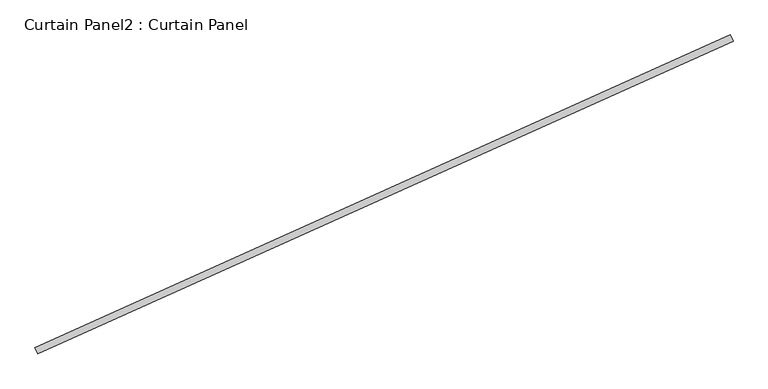
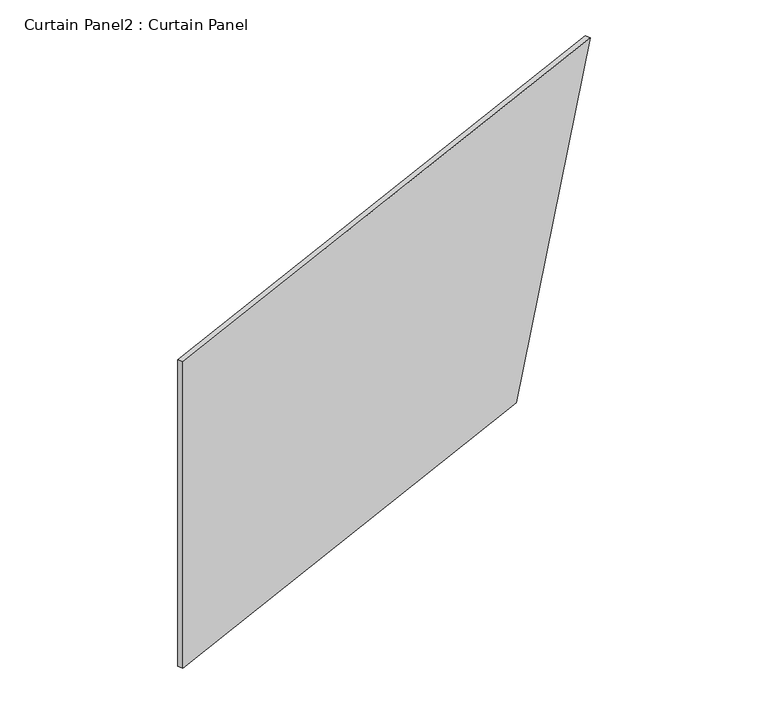
"""IFC4 building model written with IfcOpenShell, lengths in millimetres: plate geometry, Curtain Panel2 : Curtain Panel."""

from ifc_helpers import new_model, si_unit, frame, origin, place, context, project, spatial, polyline, outline, extrude, source, transform, mapped, element, save


def curtain_panel2_curtain_panel_3da97c1a(model_context):
    return source(origin(), model_context, "Body", "SweptSolid", [
        extrude(outline(polyline([(0.0, 0.0), (0.0, -2324.2638385), (-1524.0, -2838.7265129), (-1524.0, 0.0), (0.0, 0.0)])), frame((36557.5770857, -12836.3437505, 4876.8), z_axis=(-0.41023197127835825, 0.9119812112873117, 0.0), x_axis=(0.0, 0.0, -1.0)), (0.0, 0.0, 1.0), 25.4),
    ])


if __name__ == "__main__":
    model = new_model("IFC4")
    model_context = context("Model", 3, world=origin())
    ifc_project = project(units=[si_unit("LENGTHUNIT", "METRE", prefix="MILLI")], contexts=[model_context])
    site = spatial("IfcSite", under=ifc_project)
    building = spatial("IfcBuilding", under=site)
    placement = place(None, origin())
    curtain_panel2_curtain_panel_shape = curtain_panel2_curtain_panel_3da97c1a(model_context)
    element("IfcPlate", 1, ObjectType="Curtain Panel2 : Curtain Panel", at=placement, inside=building, context=model_context, shape_type="MappedRepresentation", body=[
        mapped(curtain_panel2_curtain_panel_shape, transform((0.0, 0.0, 0.0), x_axis=(1.0, 0.0, 0.0), y_axis=(0.0, 1.0, 0.0), z_axis=(0.0, 0.0, 1.0))),
    ])
    save(model, "model.ifc")
